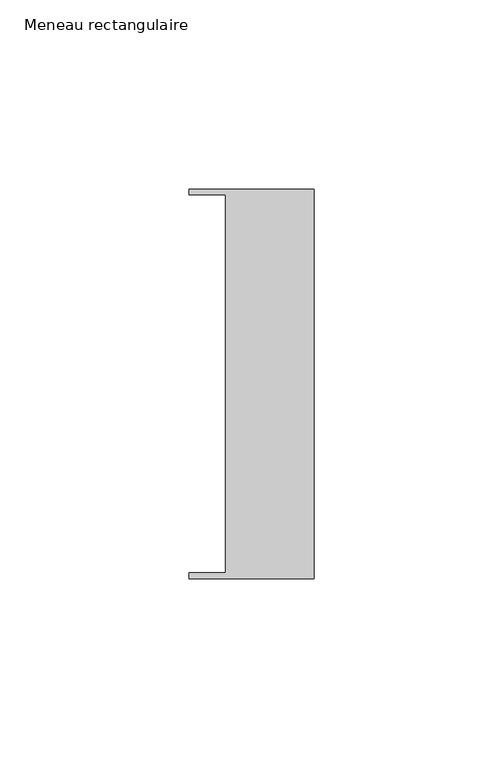
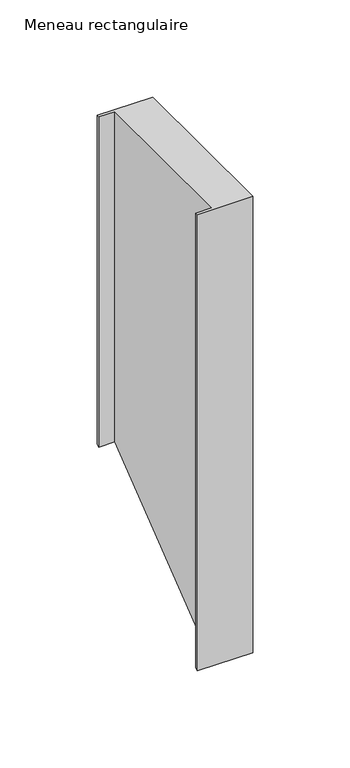
"""IFC4 building model written with IfcOpenShell, lengths in millimetres: member geometry, Meneau rectangulaire."""

from ifc_helpers import new_model, si_unit, origin, place, context, project, spatial, faceted_brep, source, transform, mapped, element, save


def meneau_rectangulaire_71f9530e(model_context):
    return source(origin(), model_context, "Body", "Brep", [
        faceted_brep([(-33.0, 51.4622428, 0.0), (-33.0, 49.9614402, 0.0), (-23.4, 49.9614402, 0.0), (-23.4, -49.9505712, 0.0), (-33.0, -49.9505712, 0.0), (-33.0, -51.4712299, 0.0), (0.0, -51.4712299, 0.0), (0.0, 51.4622428, 0.0), (-23.4, 49.9614402, -207.7012507), (-23.4, -49.9505712, -285.60457), (-33.0, -51.4712299, -286.7902568), (0.0, -51.4712299, -286.7902568), (0.0, 51.4622428, -206.531046), (-33.0, 51.4622428, -206.531046), (-33.0, -49.9505712, -285.60457), (-33.0, 49.9614402, -207.7012507)], [[[0, 1, 2, 3, 4, 5, 6, 7]], [[3, 2, 8, 9]], [[6, 5, 10, 11]], [[7, 6, 11, 12]], [[0, 7, 12, 13]], [[13, 12, 11, 10, 14, 9, 8, 15]], [[1, 0, 13, 15]], [[2, 1, 15, 8]], [[4, 3, 9, 14]], [[5, 4, 14, 10]]]),
    ])


if __name__ == "__main__":
    model = new_model("IFC4")
    model_context = context("Model", 3, world=origin())
    ifc_project = project(units=[si_unit("LENGTHUNIT", "METRE", prefix="MILLI")], contexts=[model_context])
    site = spatial("IfcSite", under=ifc_project)
    building = spatial("IfcBuilding", under=site)
    placement = place(None, origin())
    meneau_rectangulaire_shape = meneau_rectangulaire_71f9530e(model_context)
    element("IfcMember", 1, ObjectType="Meneau rectangulaire", at=placement, inside=building, context=model_context, shape_type="MappedRepresentation", body=[
        mapped(meneau_rectangulaire_shape, transform((0.0, 0.0, 0.0), x_axis=(1.0, 0.0, 0.0), y_axis=(0.0, 1.0, 0.0), z_axis=(0.0, 0.0, 1.0))),
    ])
    save(model, "model.ifc")
